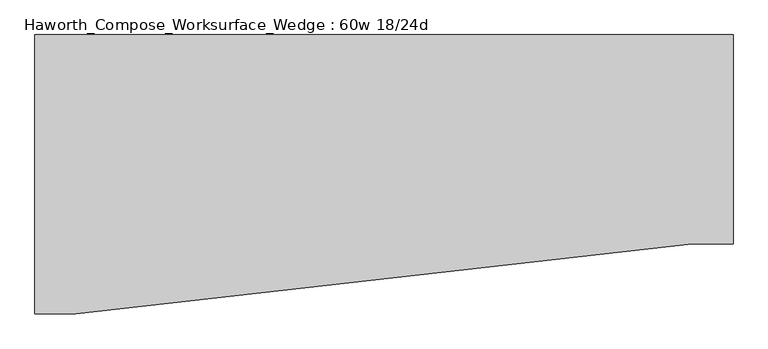
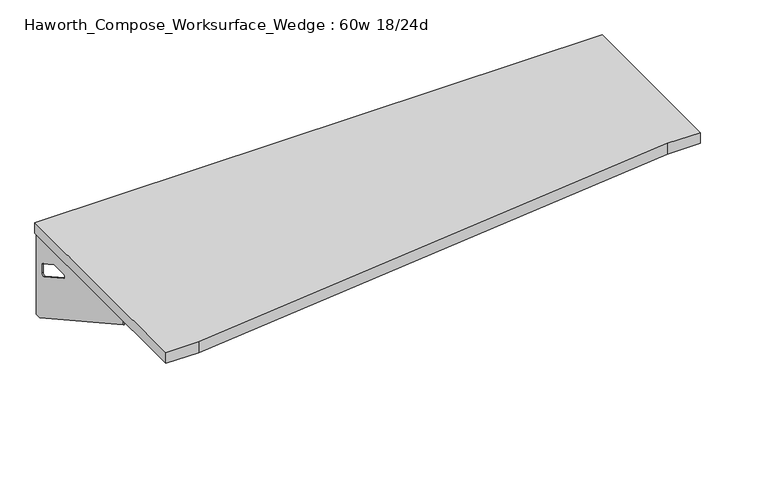
"""IFC4 building model written with IfcOpenShell, lengths in millimetres: furniture geometry, Haworth_Compose_Worksurface_Wedge : 60w 18/24d."""

from ifc_helpers import new_model, si_unit, frame, origin, place, context, project, spatial, polyline, circle_curve, outline, extrude, source, transform, mapped, element, save
from ifc_brep_helpers import plane_surface, revolved_surface, advanced_brep


def haworth_compose_worksurface_wedge_60w_18_24d_ed976996(model_context):
    return source(origin(), model_context, "Body", "SolidModel", [
        advanced_brep(
        [(756.44375, 304.8, 475.45625), (756.44375, 288.925, 475.45625), (756.44375, -101.6, 691.7192568), (756.44375, -101.6, 704.05625), (756.44375, 288.925, 704.05625), (756.44375, 304.8, 704.05625), (756.44375, 221.490072, 665.95625), (756.44375, 177.8355284, 665.95625), (756.44375, 175.1564235, 656.3705539), (756.44375, 266.8776173, 605.5776439), (756.44375, 276.225, 611.1756969), (756.44375, 276.225, 634.6860246), (756.44375, 274.4730055, 637.5242776), (756.44375, 224.5663437, 665.1613425), (758.825, 304.8, 475.45625), (758.825, 304.8, 704.05625), (758.825, 288.925, 704.05625), (758.825, 288.925, 706.4375), (758.825, -101.6, 706.4375), (758.825, -101.6, 691.7192568), (758.825, 288.925, 475.45625), (758.825, 221.490072, 665.95625), (758.825, 224.5663437, 665.1613425), (758.825, 274.4730055, 637.5242776), (758.825, 276.225, 634.6860246), (758.825, 276.225, 611.1756969), (758.825, 266.8776173, 605.5776439), (758.825, 175.1564235, 656.3705539), (758.825, 177.8355284, 665.95625), (717.55, -101.6, 706.4375), (717.55, -101.6, 704.05625), (717.55, 288.925, 704.05625), (717.55, 288.925, 706.4375)],
        [
            (0, 1),
            (1, 2),
            (2, 3),
            (3, 4),
            (4, 5),
            (5, 0),
            (6, 7),
            (7, 8, circle_curve(frame((756.44375, 177.8355284, 660.7890106), z_axis=(1.0, 0.0, 0.0), x_axis=(0.0, -1.0, 0.0)), 5.1672394)),
            (8, 9),
            (9, 10, circle_curve(frame((756.44375, 269.875, 611.1756969), z_axis=(1.0, 0.0, 0.0), x_axis=(0.0, -1.0, 0.0)), 6.35)),
            (10, 11),
            (11, 12, circle_curve(frame((756.44375, 273.05, 634.6860246), z_axis=(1.0, 0.0, 0.0), x_axis=(0.0, -1.0, 0.0)), 3.175)),
            (12, 13),
            (13, 6, circle_curve(frame((756.44375, 221.490072, 659.60625), z_axis=(1.0, 0.0, 0.0), x_axis=(0.0, -1.0, 0.0)), 6.35)),
            (14, 15),
            (15, 16),
            (16, 17),
            (17, 18),
            (18, 19),
            (19, 20),
            (20, 14),
            (21, 22, circle_curve(frame((758.825, 221.490072, 659.60625), z_axis=(-1.0, 0.0, 0.0), x_axis=(0.0, -1.0, 0.0)), 6.35)),
            (22, 23),
            (23, 24, circle_curve(frame((758.825, 273.05, 634.6860246), z_axis=(-1.0, 0.0, 0.0), x_axis=(0.0, -1.0, 0.0)), 3.175)),
            (24, 25),
            (25, 26, circle_curve(frame((758.825, 269.875, 611.1756969), z_axis=(-1.0, 0.0, 0.0), x_axis=(0.0, -1.0, 0.0)), 6.35)),
            (26, 27),
            (27, 28, circle_curve(frame((758.825, 177.8355284, 660.7890106), z_axis=(-1.0, 0.0, 0.0), x_axis=(0.0, -1.0, 0.0)), 5.1672394)),
            (28, 21),
            (4, 16),
            (15, 5),
            (14, 0),
            (20, 1),
            (19, 2),
            (18, 29),
            (29, 30),
            (30, 3),
            (6, 21),
            (28, 7),
            (9, 26),
            (25, 10),
            (24, 11),
            (23, 12),
            (27, 8),
            (31, 4),
            (30, 31),
            (32, 29),
            (17, 32),
            (31, 32),
            (22, 13),
        ],
        [
            plane_surface(frame((756.44375, 304.8, 475.45625), z_axis=(-1.0, 0.0, 0.0), x_axis=(0.0, 1.0, 0.0))),
            plane_surface(frame((758.825, 304.8, 475.45625), z_axis=(1.0, 0.0, 0.0), x_axis=(0.0, -1.0, 0.0))),
            plane_surface(frame((758.825, -101.6, 704.05625), z_axis=(0.0, 0.0, 1.0), x_axis=(-1.0, 0.0, 0.0))),
            plane_surface(frame((758.825, 304.8, 704.05625), z_axis=(0.0, 1.0, 0.0), x_axis=(-1.0, 0.0, 0.0))),
            plane_surface(frame((758.825, 304.8, 475.45625), z_axis=(0.0, 0.0, -1.0), x_axis=(-1.0, 0.0, 0.0))),
            plane_surface(frame((758.825, 288.925, 475.45625), z_axis=(0.0, -0.48445223513455843, -0.8748177135112952), x_axis=(-1.0, 0.0, 0.0))),
            plane_surface(frame((758.825, -101.6, 691.7192568), z_axis=(0.0, -1.0, 0.0), x_axis=(-1.0, 0.0, 0.0))),
            plane_surface(frame((758.825, 221.490072, 665.95625), z_axis=(0.0, 0.0, -1.0), x_axis=(-1.0, 0.0, 0.0))),
            revolved_surface(polyline([(756.44375, 263.525, 611.1756969), (758.825, 263.525, 611.1756969)]), (758.825, 269.875, 611.1756969), (-1.0, 0.0, 0.0)),
            plane_surface(frame((758.825, 276.225, 611.1756969), z_axis=(0.0, -1.0, 0.0), x_axis=(-1.0, 0.0, 0.0))),
            revolved_surface(polyline([(756.44375, 269.875, 634.6860246), (758.825, 269.875, 634.6860246)]), (758.825, 273.05, 634.6860246), (-1.0, 0.0, 0.0)),
            revolved_surface(polyline([(756.44375, 172.668289, 660.7890106), (758.825, 172.668289, 660.7890106)]), (758.825, 177.8355284, 660.7890106), (-1.0, 0.0, 0.0)),
            plane_surface(frame((758.825, 288.925, 704.05625), z_axis=(0.0, 0.0, -1.0), x_axis=(-1.0, 0.0, 0.0))),
            plane_surface(frame((758.825, 288.925, 706.4375), z_axis=(0.0, 0.0, 1.0), x_axis=(1.0, 0.0, 0.0))),
            plane_surface(frame((717.55, 288.925, 706.4375), z_axis=(0.0, 1.0, 0.0), x_axis=(0.0, 0.0, -1.0))),
            plane_surface(frame((717.55, -101.6, 706.4375), z_axis=(-1.0, 0.0, 0.0), x_axis=(0.0, 0.0, -1.0))),
            plane_surface(frame((758.825, 175.1564235, 656.3705539), z_axis=(0.0, 0.4844522351345583, 0.8748177135112953), x_axis=(-1.0, 0.0, 0.0))),
            plane_surface(frame((758.825, 274.4730055, 637.5242776), z_axis=(0.0, -0.4844522351345582, -0.8748177135112953), x_axis=(-1.0, 0.0, 0.0))),
            revolved_surface(polyline([(756.44375, 215.140072, 659.60625), (758.825, 215.140072, 659.60625)]), (758.825, 221.490072, 659.60625), (-1.0, 0.0, 0.0)),
        ],
        [
            (0, [[1, 2, 3, 4, 5, 6], [7, 8, 9, 10, 11, 12, 13, 14]]),
            (1, [[15, 16, 17, 18, 19, 20, 21], [22, 23, 24, 25, 26, 27, 28, 29]]),
            (2, [[-5, 30, -16, 31]]),
            (3, [[-31, -15, 32, -6]]),
            (4, [[-32, -21, 33, -1]]),
            (5, [[-33, -20, 34, -2]]),
            (6, [[-34, -19, 35, 36, 37, -3]]),
            (7, [[38, -29, 39, -7]]),
            (8, [[40, -26, 41, -10]]),
            (9, [[-41, -25, 42, -11]]),
            (10, [[-42, -24, 43, -12]]),
            (11, [[-39, -28, 44, -8]]),
            (12, [[45, -4, -37, 46]]),
            (13, [[47, -35, -18, 48]]),
            (14, [[-17, -30, -45, 49, -48]]),
            (15, [[-36, -47, -49, -46]]),
            (16, [[-44, -27, -40, -9]]),
            (17, [[-43, -23, 50, -13]]),
            (18, [[-50, -22, -38, -14]]),
        ],
    ),
        advanced_brep(
        [(-756.44375, 304.8, 475.45625), (-756.44375, 304.8, 704.05625), (-756.44375, 288.925, 704.05625), (-756.44375, -101.6, 704.05625), (-756.44375, -101.6, 691.7192568), (-756.44375, 288.925, 475.45625), (-756.44375, 221.490072, 665.95625), (-756.44375, 224.5663437, 665.1613425), (-756.44375, 274.4730055, 637.5242776), (-756.44375, 276.225, 634.6860246), (-756.44375, 276.225, 611.1756969), (-756.44375, 266.8776173, 605.5776439), (-756.44375, 175.1564235, 656.3705539), (-756.44375, 177.8355284, 665.95625), (-758.825, 304.8, 475.45625), (-758.825, 288.925, 475.45625), (-758.825, -101.6, 691.7192568), (-758.825, -101.6, 706.4375), (-758.825, 288.925, 706.4375), (-758.825, 288.925, 704.05625), (-758.825, 304.8, 704.05625), (-758.825, 221.490072, 665.95625), (-758.825, 177.8355284, 665.95625), (-758.825, 175.1564235, 656.3705539), (-758.825, 266.8776173, 605.5776439), (-758.825, 276.225, 611.1756969), (-758.825, 276.225, 634.6860246), (-758.825, 274.4730055, 637.5242776), (-758.825, 224.5663437, 665.1613425), (-717.55, -101.6, 704.05625), (-717.55, -101.6, 706.4375), (-717.55, 288.925, 704.05625), (-717.55, 288.925, 706.4375)],
        [
            (0, 1),
            (1, 2),
            (2, 3),
            (3, 4),
            (4, 5),
            (5, 0),
            (6, 7, circle_curve(frame((-756.44375, 221.490072, 659.60625), z_axis=(-1.0, 0.0, 0.0), x_axis=(0.0, -1.0, 0.0)), 6.35)),
            (7, 8),
            (8, 9, circle_curve(frame((-756.44375, 273.05, 634.6860246), z_axis=(-1.0, 0.0, 0.0), x_axis=(0.0, -1.0, 0.0)), 3.175)),
            (9, 10),
            (10, 11, circle_curve(frame((-756.44375, 269.875, 611.1756969), z_axis=(-1.0, 0.0, 0.0), x_axis=(0.0, -1.0, 0.0)), 6.35)),
            (11, 12),
            (12, 13, circle_curve(frame((-756.44375, 177.8355284, 660.7890106), z_axis=(-1.0, 0.0, 0.0), x_axis=(0.0, -1.0, 0.0)), 5.1672394)),
            (13, 6),
            (14, 15),
            (15, 16),
            (16, 17),
            (17, 18),
            (18, 19),
            (19, 20),
            (20, 14),
            (21, 22),
            (22, 23, circle_curve(frame((-758.825, 177.8355284, 660.7890106), z_axis=(1.0, 0.0, 0.0), x_axis=(0.0, -1.0, 0.0)), 5.1672394)),
            (23, 24),
            (24, 25, circle_curve(frame((-758.825, 269.875, 611.1756969), z_axis=(1.0, 0.0, 0.0), x_axis=(0.0, -1.0, 0.0)), 6.35)),
            (25, 26),
            (26, 27, circle_curve(frame((-758.825, 273.05, 634.6860246), z_axis=(1.0, 0.0, 0.0), x_axis=(0.0, -1.0, 0.0)), 3.175)),
            (27, 28),
            (28, 21, circle_curve(frame((-758.825, 221.490072, 659.60625), z_axis=(1.0, 0.0, 0.0), x_axis=(0.0, -1.0, 0.0)), 6.35)),
            (1, 20),
            (19, 2),
            (0, 14),
            (5, 15),
            (4, 16),
            (3, 29),
            (29, 30),
            (30, 17),
            (13, 22),
            (21, 6),
            (10, 25),
            (24, 11),
            (9, 26),
            (8, 27),
            (12, 23),
            (31, 29),
            (2, 31),
            (32, 18),
            (30, 32),
            (32, 31),
            (7, 28),
        ],
        [
            plane_surface(frame((-756.44375, 304.8, 475.45625), z_axis=(1.0, 0.0, 0.0), x_axis=(0.0, 1.0, 0.0))),
            plane_surface(frame((-758.825, 304.8, 475.45625), z_axis=(-1.0, 0.0, 0.0), x_axis=(0.0, -1.0, 0.0))),
            plane_surface(frame((-758.825, -101.6, 704.05625), z_axis=(0.0, 0.0, 1.0), x_axis=(1.0, 0.0, 0.0))),
            plane_surface(frame((-758.825, 304.8, 704.05625), z_axis=(0.0, 1.0, 0.0), x_axis=(1.0, 0.0, 0.0))),
            plane_surface(frame((-758.825, 304.8, 475.45625), z_axis=(0.0, 0.0, -1.0), x_axis=(1.0, 0.0, 0.0))),
            plane_surface(frame((-758.825, 288.925, 475.45625), z_axis=(0.0, -0.48445223513455843, -0.8748177135112952), x_axis=(1.0, 0.0, 0.0))),
            plane_surface(frame((-758.825, -101.6, 691.7192568), z_axis=(0.0, -1.0, 0.0), x_axis=(1.0, 0.0, 0.0))),
            plane_surface(frame((-758.825, 221.490072, 665.95625), z_axis=(0.0, 0.0, -1.0), x_axis=(1.0, 0.0, 0.0))),
            revolved_surface(polyline([(-756.44375, 263.525, 611.1756969), (-758.825, 263.525, 611.1756969)]), (-758.825, 269.875, 611.1756969), (1.0, 0.0, 0.0)),
            plane_surface(frame((-758.825, 276.225, 611.1756969), z_axis=(0.0, -1.0, 0.0), x_axis=(1.0, 0.0, 0.0))),
            revolved_surface(polyline([(-756.44375, 269.875, 634.6860246), (-758.825, 269.875, 634.6860246)]), (-758.825, 273.05, 634.6860246), (1.0, 0.0, 0.0)),
            revolved_surface(polyline([(-756.44375, 172.668289, 660.7890106), (-758.825, 172.668289, 660.7890106)]), (-758.825, 177.8355284, 660.7890106), (1.0, 0.0, 0.0)),
            plane_surface(frame((-758.825, 288.925, 704.05625), z_axis=(0.0, 0.0, -1.0), x_axis=(1.0, 0.0, 0.0))),
            plane_surface(frame((-758.825, 288.925, 706.4375), z_axis=(0.0, 0.0, 1.0), x_axis=(-1.0, 0.0, 0.0))),
            plane_surface(frame((-717.55, 288.925, 706.4375), z_axis=(0.0, 1.0, 0.0), x_axis=(0.0, 0.0, -1.0))),
            plane_surface(frame((-717.55, -101.6, 706.4375), z_axis=(1.0, 0.0, 0.0), x_axis=(0.0, 0.0, -1.0))),
            plane_surface(frame((-758.825, 175.1564235, 656.3705539), z_axis=(0.0, 0.4844522351345583, 0.8748177135112953), x_axis=(1.0, 0.0, 0.0))),
            plane_surface(frame((-758.825, 274.4730055, 637.5242776), z_axis=(0.0, -0.4844522351345582, -0.8748177135112953), x_axis=(1.0, 0.0, 0.0))),
            revolved_surface(polyline([(-756.44375, 215.140072, 659.60625), (-758.825, 215.140072, 659.60625)]), (-758.825, 221.490072, 659.60625), (1.0, 0.0, 0.0)),
        ],
        [
            (0, [[1, 2, 3, 4, 5, 6], [7, 8, 9, 10, 11, 12, 13, 14]]),
            (1, [[15, 16, 17, 18, 19, 20, 21], [22, 23, 24, 25, 26, 27, 28, 29]]),
            (2, [[30, -20, 31, -2]]),
            (3, [[-1, 32, -21, -30]]),
            (4, [[-6, 33, -15, -32]]),
            (5, [[-5, 34, -16, -33]]),
            (6, [[-4, 35, 36, 37, -17, -34]]),
            (7, [[-14, 38, -22, 39]]),
            (8, [[-11, 40, -25, 41]]),
            (9, [[-10, 42, -26, -40]]),
            (10, [[-9, 43, -27, -42]]),
            (11, [[-13, 44, -23, -38]]),
            (12, [[45, -35, -3, 46]]),
            (13, [[47, -18, -37, 48]]),
            (14, [[-47, 49, -46, -31, -19]]),
            (15, [[-45, -49, -48, -36]]),
            (16, [[-12, -41, -24, -44]]),
            (17, [[-8, 50, -28, -43]]),
            (18, [[-7, -39, -29, -50]]),
        ],
    ),
        extrude(outline(polyline([(762.0, 304.8), (762.0, -152.4), (673.1, -152.4), (-673.1, -304.8), (-762.0, -304.8), (-762.0, 304.8), (762.0, 304.8)])), frame((0.0, 0.0, 706.4375), z_axis=(0.0, 0.0, 1.0), x_axis=(1.0, 0.0, 0.0)), (0.0, 0.0, 1.0), 30.1625),
    ])


if __name__ == "__main__":
    model = new_model("IFC4")
    model_context = context("Model", 3, world=origin())
    ifc_project = project(units=[si_unit("LENGTHUNIT", "METRE", prefix="MILLI")], contexts=[model_context])
    site = spatial("IfcSite", under=ifc_project)
    building = spatial("IfcBuilding", under=site)
    placement = place(None, origin())
    haworth_compose_worksurface_wedge_60w_18_24d_shape = haworth_compose_worksurface_wedge_60w_18_24d_ed976996(model_context)
    element("IfcFurniture", 1, ObjectType="Haworth_Compose_Worksurface_Wedge : 60w 18/24d", at=placement, inside=building, context=model_context, shape_type="MappedRepresentation", body=[
        mapped(haworth_compose_worksurface_wedge_60w_18_24d_shape, transform((0.0, 0.0, 0.0), x_axis=(1.0, 0.0, 0.0), y_axis=(0.0, 1.0, 0.0), z_axis=(0.0, 0.0, 1.0))),
    ])
    save(model, "model.ifc")
